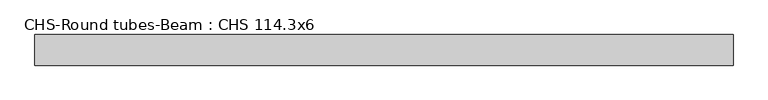
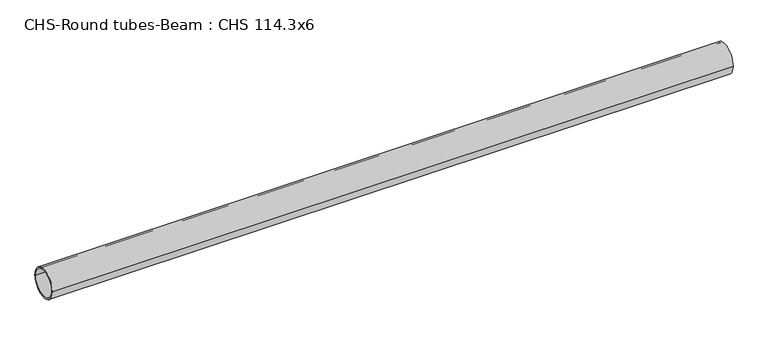
"""IFC4 building model written with IfcOpenShell, lengths in millimetres: beam geometry, CHS-Round tubes-Beam : CHS 114.3x6."""

from ifc_helpers import new_model, si_unit, point, frame, origin, origin_2d, place, context, project, spatial, circle_curve, trimmed, segment, composite_curve, outline, extrude, source, transform, mapped, element, save


def chs_round_tubes_beam_chs_114_3x6_80517526(model_context):
    return source(origin(), model_context, "Body", "SweptSolid", [
        extrude(outline(composite_curve([segment(trimmed(circle_curve(origin_2d(), 57.15), [point((57.15, 0.0))], [point((-57.15, 0.0))], False, "CARTESIAN"), True, "CONTINUOUS"), segment(trimmed(circle_curve(origin_2d(), 57.15), [point((-57.15, 0.0))], [point((57.15, 0.0))], False, "CARTESIAN"), True, "CONTINUOUS")], self_intersect=False), holes=[composite_curve([segment(trimmed(circle_curve(origin_2d(), 51.15), [point((51.15, 0.0))], [point((-51.15, 0.0))], True, "CARTESIAN"), True, "CONTINUOUS"), segment(trimmed(circle_curve(origin_2d(), 51.15), [point((-51.15, 0.0))], [point((51.15, 0.0))], True, "CARTESIAN"), True, "CONTINUOUS")], self_intersect=False)]), frame((-1295.8686631, 0.0, 0.0), z_axis=(1.0, 0.0, 0.0), x_axis=(0.0, 1.0, 0.0)), (0.0, 0.0, 1.0), 2606.3391651),
    ])


if __name__ == "__main__":
    model = new_model("IFC4")
    model_context = context("Model", 3, world=origin())
    ifc_project = project(units=[si_unit("LENGTHUNIT", "METRE", prefix="MILLI")], contexts=[model_context])
    site = spatial("IfcSite", under=ifc_project)
    building = spatial("IfcBuilding", under=site)
    placement = place(None, origin())
    chs_round_tubes_beam_chs_114_3x6_shape = chs_round_tubes_beam_chs_114_3x6_80517526(model_context)
    element("IfcBeam", 1, ObjectType="CHS-Round tubes-Beam : CHS 114.3x6", at=placement, inside=building, context=model_context, shape_type="MappedRepresentation", body=[
        mapped(chs_round_tubes_beam_chs_114_3x6_shape, transform((0.0, 0.0, 0.0), x_axis=(1.0, 0.0, 0.0), y_axis=(0.0, 1.0, 0.0), z_axis=(0.0, 0.0, 1.0))),
    ])
    save(model, "model.ifc")
